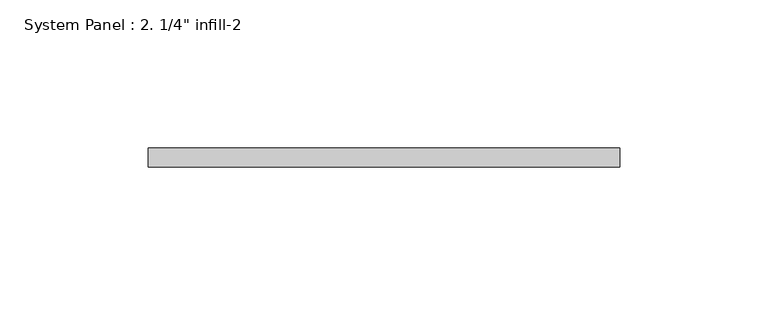
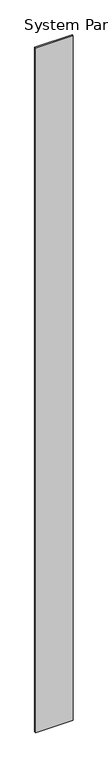
"""IFC4 building model written with IfcOpenShell, lengths in millimetres: plate geometry."""

from ifc_helpers import new_model, si_unit, origin, origin_with_axes, place, context, project, spatial, polyline, outline, extrude, source, transform, mapped, element, save


def plate_0c1fb14c(model_context):
    return source(origin(), model_context, "Body", "SweptSolid", [
        extrude(outline(polyline([(79.375, 0.0), (-79.375, 0.0), (-79.375, 6.35), (79.375, 6.35), (79.375, 0.0)])), origin_with_axes(), (0.0, 0.0, 1.0), 3048.0),
    ])


if __name__ == "__main__":
    model = new_model("IFC4")
    model_context = context("Model", 3, world=origin())
    ifc_project = project(units=[si_unit("LENGTHUNIT", "METRE", prefix="MILLI")], contexts=[model_context])
    site = spatial("IfcSite", under=ifc_project)
    building = spatial("IfcBuilding", under=site)
    placement = place(None, origin())
    plate_shape = plate_0c1fb14c(model_context)
    element("IfcPlate", 1, ObjectType="System Panel : 2. 1/4\" infill-2", at=placement, inside=building, context=model_context, shape_type="MappedRepresentation", body=[
        mapped(plate_shape, transform((0.0, 0.0, 0.0), x_axis=(1.0, 0.0, 0.0), y_axis=(0.0, 1.0, 0.0), z_axis=(0.0, 0.0, 1.0))),
    ])
    save(model, "model.ifc")
